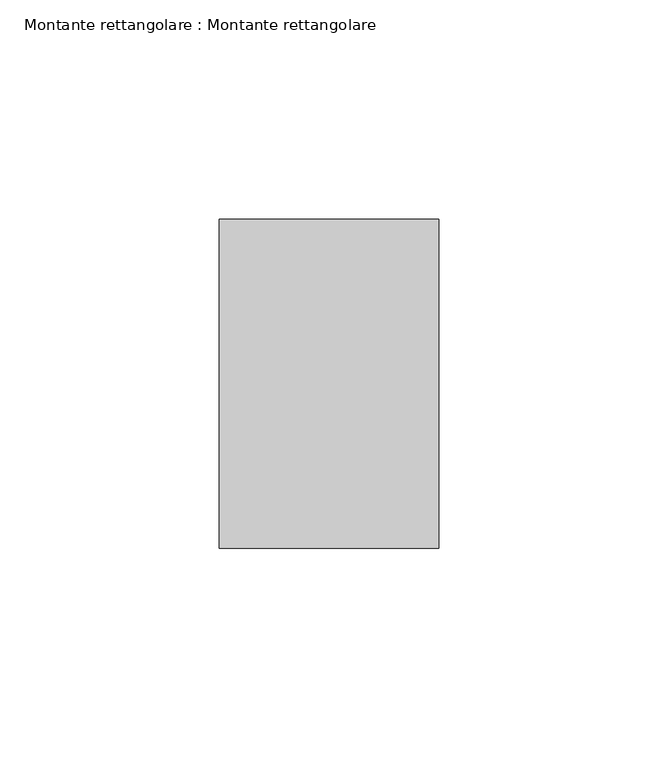
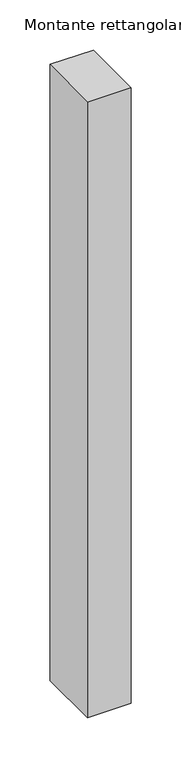
"""IFC4 building model written with IfcOpenShell, lengths in millimetres: member geometry, Montante rettangolare : Montante rettangolare."""

import ifcopenshell
import ifcopenshell.guid

model = None  # the IFC model being written
_history = None  # IfcOwnerHistory: only IFC2X3 demands one
_inside = {}  # id of a spatial element -> (the spatial element, [elements in it])
_under = {}  # id of a project, library or spatial element -> (it, [spatial elements below it])
_declared = {}  # id of a project -> (the project, [libraries it declares])
_typed = {}  # id of a type object -> (the type object, [elements of that type])
_made_of = {}  # id of a material, layer set ... -> (it, [elements and type objects made of it])


def new_model(schema):
    """Start an empty IFC model of exactly this schema.

    Asked for "IFC4X3", IfcOpenShell would pick the latest addendum, in which some entities
    have other attributes; the version numbers below select the first issue.
    IFC2X3 requires an IfcOwnerHistory on every rooted entity: one is made here for all.
    """
    global model, _history
    if schema == "IFC4X3":
        model = ifcopenshell.file(schema_version=(4, 3, 0, 0))
    else:
        model = ifcopenshell.file(schema=schema)
    _inside.clear()
    _under.clear()
    _declared.clear()
    _typed.clear()
    _made_of.clear()
    _history = None
    if model.schema == "IFC2X3":
        org = make("IfcOrganization", Name="unknown")
        user = make(
            "IfcPersonAndOrganization",
            ThePerson=make("IfcPerson", FamilyName="unknown"),
            TheOrganization=org,
        )
        app = make(
            "IfcApplication",
            ApplicationDeveloper=org,
            Version="unknown",
            ApplicationFullName="unknown",
            ApplicationIdentifier="unknown",
        )
        _history = make(
            "IfcOwnerHistory",
            OwningUser=user,
            OwningApplication=app,
            ChangeAction="ADDED",
            CreationDate=0,
        )
    return model


def make(cls, **values):
    """One entity of the class cls with the attributes given. An attribute that is None is left unset."""
    return model.create_entity(
        cls, **{name: value for name, value in values.items() if value is not None}
    )


def rooted(cls, **values):
    """An entity with a GlobalId (a new one), such as an element, a storey or a relation."""
    return make(cls, GlobalId=ifcopenshell.guid.new(), OwnerHistory=_history, **values)


def si_unit(unit_type, name, prefix=None):
    """IfcSIUnit, for example si_unit("LENGTHUNIT", "METRE", prefix="MILLI")."""
    return make("IfcSIUnit", UnitType=unit_type, Prefix=prefix, Name=name)


def assignment(units):
    """IfcUnitAssignment: the units of a project."""
    return None if units is None else make("IfcUnitAssignment", Units=units)


def point(xyz):
    """IfcCartesianPoint."""
    return None if xyz is None else make("IfcCartesianPoint", Coordinates=xyz)


def direction(xyz):
    """IfcDirection."""
    return None if xyz is None else make("IfcDirection", DirectionRatios=xyz)


def frame(location, z_axis=None, x_axis=None):
    """IfcAxis2Placement3D, a coordinate frame: its origin and axes. An axis left out is left unset."""
    return make(
        "IfcAxis2Placement3D",
        Location=point(location),
        Axis=direction(z_axis),
        RefDirection=direction(x_axis),
    )


def origin():
    """The frame at (0, 0, 0) with its axes left unset."""
    return frame((0.0, 0.0, 0.0))


def place(relative_to, where):
    """IfcLocalPlacement: puts the frame where relative to a parent placement (None: the world)."""
    return make(
        "IfcLocalPlacement", PlacementRelTo=relative_to, RelativePlacement=where
    )


def context(
    kind, dimensions, precision=None, world=None, true_north=None, identifier=None
):
    """IfcGeometricRepresentationContext, for example the 3D "Model" context."""
    return make(
        "IfcGeometricRepresentationContext",
        ContextIdentifier=identifier,
        ContextType=kind,
        CoordinateSpaceDimension=dimensions,
        Precision=precision,
        WorldCoordinateSystem=world,
        TrueNorth=true_north,
    )


def project(units=None, contexts=None):
    """IfcProject with its units and contexts."""
    return rooted(
        "IfcProject",
        Name="project",
        RepresentationContexts=contexts,
        UnitsInContext=assignment(units),
    )


def spatial(cls, under=None, at=None, **own):
    """A site, building, storey or space (cls), placed at a placement, below another one or the project."""
    s = rooted(cls, ObjectPlacement=at, **own)
    if under is not None:
        _under.setdefault(under.id(), (under, []))[1].append(s)
    return s


def faces_of(points, faces, orient=None, outer=None):
    """IfcFace entities. A face is a list of loops; a loop is a list of indices into points, from 0.

    orient and outer hold one flag for each loop. By default every Orientation is true, the
    first loop of a face is its IfcFaceOuterBound and the others are IfcFaceBound.
    """
    made = []
    for i, loops in enumerate(faces):
        bounds = []
        for j, loop in enumerate(loops):
            is_outer = j == 0 if outer is None else outer[i][j]
            bounds.append(
                make(
                    "IfcFaceOuterBound" if is_outer else "IfcFaceBound",
                    Bound=make("IfcPolyLoop", Polygon=[points[k] for k in loop]),
                    Orientation=True if orient is None else orient[i][j],
                )
            )
        made.append(make("IfcFace", Bounds=bounds))
    return made


def faceted_brep(points, faces, orient=None, outer=None, voids=None):
    """IfcFacetedBrep: a solid bounded by flat faces; with voids (closed shells), ...WithVoids."""
    shared = [point(p) for p in points]
    hull = make("IfcClosedShell", CfsFaces=faces_of(shared, faces, orient, outer))
    if voids is None:
        return make("IfcFacetedBrep", Outer=hull)
    return make(
        "IfcFacetedBrepWithVoids",
        Outer=hull,
        Voids=[
            make(cls, CfsFaces=faces_of(shared, fs, o, b)) for cls, fs, o, b in voids
        ],
    )


def shape(context_of_items, identifier, shape_type, items):
    """IfcShapeRepresentation: the items that make up one representation, for example the "Body"."""
    return make(
        "IfcShapeRepresentation",
        ContextOfItems=context_of_items,
        RepresentationIdentifier=identifier,
        RepresentationType=shape_type,
        Items=items,
    )


def source(mapping_origin, context_of_items, identifier, shape_type, items):
    """IfcRepresentationMap: a shape defined once, which mapped items show again and again."""
    return make(
        "IfcRepresentationMap",
        MappingOrigin=mapping_origin,
        MappedRepresentation=shape(context_of_items, identifier, shape_type, items),
    )


def transform(
    local_origin,
    x_axis=None,
    y_axis=None,
    z_axis=None,
    scale=None,
    scale2=None,
    scale3=None,
    uniform=True,
):
    """IfcCartesianTransformationOperator3D, or its non-uniform kind. x_axis, y_axis, z_axis: its Axis1, 2, 3."""
    if uniform:
        return make(
            "IfcCartesianTransformationOperator3D",
            Axis1=direction(x_axis),
            Axis2=direction(y_axis),
            LocalOrigin=point(local_origin),
            Scale=scale,
            Axis3=direction(z_axis),
        )
    return make(
        "IfcCartesianTransformationOperator3DnonUniform",
        Axis1=direction(x_axis),
        Axis2=direction(y_axis),
        LocalOrigin=point(local_origin),
        Scale=scale,
        Axis3=direction(z_axis),
        Scale2=scale2,
        Scale3=scale3,
    )


def mapped(mapping_source, mapping_target):
    """IfcMappedItem: shows the shape of a source again, moved by a transform."""
    return make(
        "IfcMappedItem", MappingSource=mapping_source, MappingTarget=mapping_target
    )


def made_of(thing, what):
    """Note that an element or type object is made of a material, layer set ...; save() writes the relation."""
    if what is not None:
        _made_of.setdefault(what.id(), (what, []))[1].append(thing)
    return thing


def element(
    cls,
    number,
    at=None,
    inside=None,
    cuts=None,
    type_object=None,
    material=None,
    context=None,
    identifier="Body",
    shape_type=None,
    held_by="IfcProductDefinitionShape",
    body=None,
    shapes=None,
    **own,
):
    """One element of the class cls, such as IfcWall. Its Tag is "e" and its number.

    at: its placement. inside: the storey or other place that contains it. cuts: it is an
    opening in that element (IfcRelVoidsElement). A single representation is given by context,
    identifier, shape_type and body (its items); several are given by shapes. held_by: the class
    of the entity that holds the representations. save() writes the other relations.
    """
    e = rooted(cls, Tag="e%d" % number, ObjectPlacement=at, **own)
    if body is not None:
        shapes = [shape(context, identifier, shape_type, body)]
    if shapes is not None:
        e.Representation = make(held_by, Representations=shapes)
    if inside is not None:
        _inside.setdefault(inside.id(), (inside, []))[1].append(e)
    if cuts is not None:
        rooted(
            "IfcRelVoidsElement", RelatingBuildingElement=cuts, RelatedOpeningElement=e
        )
    if type_object is not None:
        _typed.setdefault(type_object.id(), (type_object, []))[1].append(e)
    return made_of(e, material)


def aggregate(whole, parts):
    """IfcRelAggregates: a whole, such as a stair, and the parts it consists of."""
    return rooted("IfcRelAggregates", RelatingObject=whole, RelatedObjects=parts)


def save(model, path):
    """Write the relations noted so far, then the file.

    IfcRelAggregates (storeys below a building ...), IfcRelContainedInSpatialStructure (elements
    in a storey), IfcRelDefinesByType, IfcRelAssociatesMaterial and IfcRelDeclares: one each for
    every whole, place, type object, material and project.
    """
    for whole, parts in _under.values():
        aggregate(whole, parts)
    for where, things in _inside.values():
        rooted(
            "IfcRelContainedInSpatialStructure",
            RelatedElements=things,
            RelatingStructure=where,
        )
    for kind, things in _typed.values():
        rooted("IfcRelDefinesByType", RelatedObjects=things, RelatingType=kind)
    for what, things in _made_of.values():
        rooted("IfcRelAssociatesMaterial", RelatedObjects=things, RelatingMaterial=what)
    for by, libraries in _declared.values():
        rooted("IfcRelDeclares", RelatingContext=by, RelatedDefinitions=libraries)
    model.write(path)


def montante_rettangolare_montante_rettangolare_2b2d3fc2(model_context):
    return source(origin(), model_context, "Body", "Brep", [
        faceted_brep([(-50.0, 37.5, 0.163296), (0.0, 37.5, 0.163296), (0.0, 37.5, -750.163296), (-50.0, 37.5, -750.1632959), (-50.0, -37.5, -0.1637714), (-50.0, -37.390622, -749.8367056), (0.0, -37.5, -0.1637714), (0.0, -37.5, -749.8362287)], [[[0, 1, 2, 3]], [[4, 0, 3, 5]], [[6, 4, 5, 7]], [[1, 6, 7, 2]], [[1, 0, 4, 6]], [[2, 7, 5, 3]]]),
    ])


if __name__ == "__main__":
    model = new_model("IFC4")
    model_context = context("Model", 3, world=origin())
    ifc_project = project(units=[si_unit("LENGTHUNIT", "METRE", prefix="MILLI")], contexts=[model_context])
    site = spatial("IfcSite", under=ifc_project)
    building = spatial("IfcBuilding", under=site)
    placement = place(None, origin())
    montante_rettangolare_montante_rettangolare_shape = montante_rettangolare_montante_rettangolare_2b2d3fc2(model_context)
    element("IfcMember", 1, ObjectType="Montante rettangolare : Montante rettangolare", at=placement, inside=building, context=model_context, shape_type="MappedRepresentation", body=[
        mapped(montante_rettangolare_montante_rettangolare_shape, transform((0.0, 0.0, 0.0), x_axis=(1.0, 0.0, 0.0), y_axis=(0.0, 1.0, 0.0), z_axis=(0.0, 0.0, 1.0))),
    ])
    save(model, "model.ifc")
